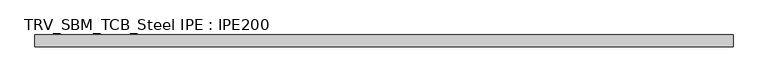
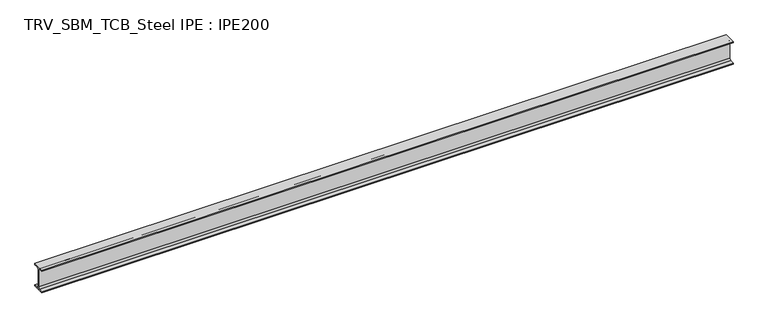
"""IFC4 building model written with IfcOpenShell, lengths in millimetres: beam geometry, TRV_SBM_TCB_Steel IPE : IPE200."""

from ifc_helpers import new_model, si_unit, point, frame, frame_2d, origin, place, context, project, spatial, polyline, circle_curve, trimmed, segment, composite_curve, outline, extrude, source, transform, mapped, element, save


def trv_sbm_tcb_steel_ipe_ipe200_86fb821e(model_context):
    return source(origin(), model_context, "Body", "SweptSolid", [
        extrude(outline(composite_curve([segment(polyline([(-50.0, -89.3), (-18.55, -89.3)]), True, "CONTINUOUS"), segment(trimmed(circle_curve(frame_2d((-18.55, -74.3)), 15.0), [point((-18.55, -89.3))], [point((-3.55, -74.3))], True, "CARTESIAN"), True, "CONTINUOUS"), segment(polyline([(-3.55, -74.3), (-3.55, 74.3)]), True, "CONTINUOUS"), segment(trimmed(circle_curve(frame_2d((-18.55, 74.3)), 15.0), [point((-3.55, 74.3))], [point((-18.55, 89.3))], True, "CARTESIAN"), True, "CONTINUOUS"), segment(polyline([(-18.55, 89.3), (-50.0, 89.3), (-50.0, 100.0), (50.0, 100.0), (50.0, 89.3), (18.55, 89.3)]), True, "CONTINUOUS"), segment(trimmed(circle_curve(frame_2d((18.55, 74.3)), 15.0), [point((18.55, 89.3))], [point((3.55, 74.3))], True, "CARTESIAN"), True, "CONTINUOUS"), segment(polyline([(3.55, 74.3), (3.55, -74.3)]), True, "CONTINUOUS"), segment(trimmed(circle_curve(frame_2d((18.55, -74.3)), 15.0), [point((3.55, -74.3))], [point((18.55, -89.3))], True, "CARTESIAN"), True, "CONTINUOUS"), segment(polyline([(18.55, -89.3), (50.0, -89.3), (50.0, -100.0), (-50.0, -100.0), (-50.0, -89.3)]), True, "CONTINUOUS")], self_intersect=False)), frame((-2898.0, 0.0, 0.0), z_axis=(1.0, 0.0, 0.0), x_axis=(0.0, 1.0, 0.0)), (0.0, 0.0, 1.0), 5796.0),
    ])


if __name__ == "__main__":
    model = new_model("IFC4")
    model_context = context("Model", 3, world=origin())
    ifc_project = project(units=[si_unit("LENGTHUNIT", "METRE", prefix="MILLI")], contexts=[model_context])
    site = spatial("IfcSite", under=ifc_project)
    building = spatial("IfcBuilding", under=site)
    placement = place(None, origin())
    trv_sbm_tcb_steel_ipe_ipe200_shape = trv_sbm_tcb_steel_ipe_ipe200_86fb821e(model_context)
    element("IfcBeam", 1, ObjectType="TRV_SBM_TCB_Steel IPE : IPE200", at=placement, inside=building, context=model_context, shape_type="MappedRepresentation", body=[
        mapped(trv_sbm_tcb_steel_ipe_ipe200_shape, transform((0.0, 0.0, 0.0), x_axis=(1.0, 0.0, 0.0), y_axis=(0.0, 1.0, 0.0), z_axis=(0.0, 0.0, 1.0))),
    ])
    save(model, "model.ifc")
